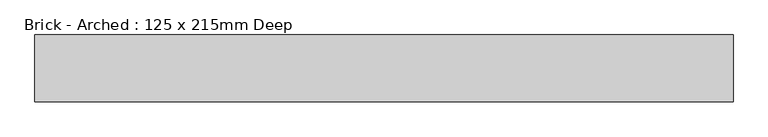
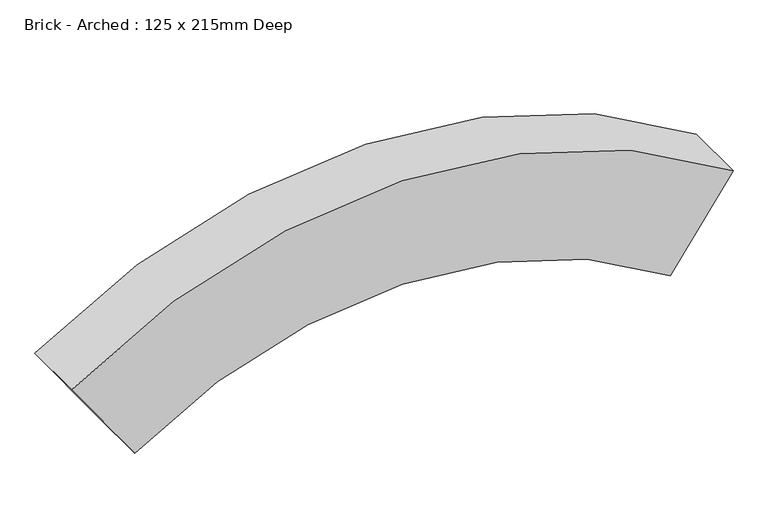
"""IFC4 building model written with IfcOpenShell, lengths in millimetres: proxy geometry, Brick - Arched : 125 x 215mm Deep."""

from ifc_helpers import new_model, si_unit, point, frame, frame_2d, origin, place, context, project, spatial, polyline, circle_curve, trimmed, segment, composite_curve, outline, extrude, source, transform, mapped, element, save


def brick_arched_125_x_215mm_deep_6058501f(model_context):
    return source(origin(), model_context, "Body", "SweptSolid", [
        extrude(outline(composite_curve([segment(polyline([(154.78125, 688.86445), (330.4739892, 812.7880611)]), True, "CONTINUOUS"), segment(trimmed(circle_curve(frame_2d((-592.4440557, 161.81445)), 1129.4), [point((330.4739892, 812.7880611))], [point((330.4739892, -489.1591611))], False, "CARTESIAN"), True, "CONTINUOUS"), segment(polyline([(330.4739892, -489.1591611), (154.78125, -365.23555)]), True, "CONTINUOUS"), segment(trimmed(circle_curve(frame_2d((-592.4440557, 161.81445)), 914.4), [point((154.78125, -365.23555))], [point((154.78125, 688.86445))], True, "CARTESIAN"), True, "CONTINUOUS")], self_intersect=False)), frame((0.0, -6.5230869, 0.0), z_axis=(0.0, 1.0, 0.0), x_axis=(0.0, 0.0, 1.0)), (0.0, 0.0, 1.0), 125.0),
    ])


if __name__ == "__main__":
    model = new_model("IFC4")
    model_context = context("Model", 3, world=origin())
    ifc_project = project(units=[si_unit("LENGTHUNIT", "METRE", prefix="MILLI")], contexts=[model_context])
    site = spatial("IfcSite", under=ifc_project)
    building = spatial("IfcBuilding", under=site)
    placement = place(None, origin())
    brick_arched_125_x_215mm_deep_shape = brick_arched_125_x_215mm_deep_6058501f(model_context)
    element("IfcBuildingElementProxy", 1, Name="Brick - Arched : 125 x 215mm Deep", ObjectType="Brick - Arched : 125 x 215mm Deep", at=placement, inside=building, context=model_context, shape_type="MappedRepresentation", body=[
        mapped(brick_arched_125_x_215mm_deep_shape, transform((0.0, 0.0, 0.0), x_axis=(1.0, 0.0, 0.0), y_axis=(0.0, 1.0, 0.0), z_axis=(0.0, 0.0, 1.0))),
    ])
    save(model, "model.ifc")
